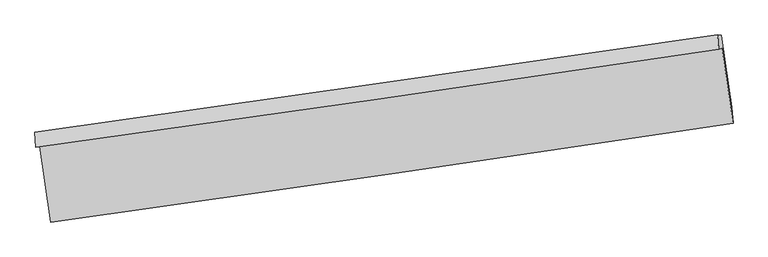
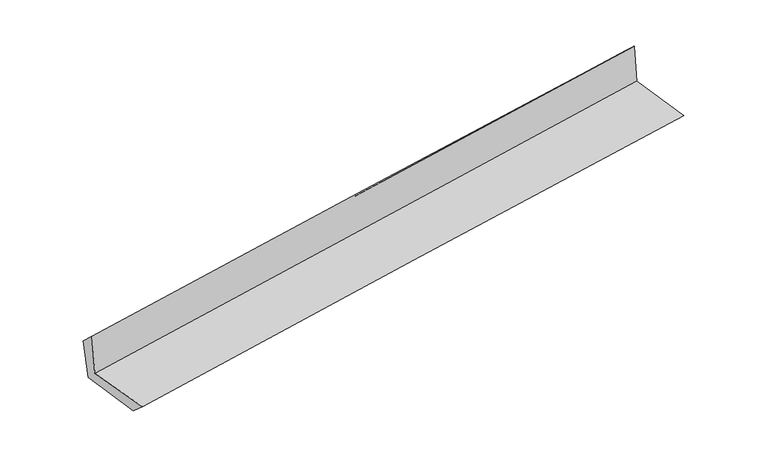
"""IFC4 building model written with IfcOpenShell, lengths in millimetres: proxy geometry."""

from ifc_helpers import new_model, si_unit, frame, origin, place, context, project, spatial, source, transform, mapped, element, save
from ifc_brep_helpers import plane_surface, spline_curve, spline_surface, advanced_brep


def generic_models_ed85baef(model_context):
    return source(origin(), model_context, "Body", "AdvancedBrep", [
        advanced_brep(
        [(-2997.7450521, -1918.5112268, 1629.4544316), (-2902.5719135, -2576.7489413, 1642.1320175), (3044.8923152, -1714.6511588, 2137.5244998), (2949.16902, -1063.2543225, 2143.5336616), (-3030.7979528, -1926.0057625, 2041.0959788), (2918.0972632, -1070.2996464, 2530.5019977), (-3039.708644, -1792.6852455, 1913.5738097), (2909.7374764, -946.4093693, 2412.9568245), (-3004.6528064, -1813.5026502, 1527.6788869), (2940.9328669, -948.2571367, 2040.1694425), (-2912.12683, -2441.6203823, 1519.1895269), (3034.5876228, -1577.3481665, 2019.7883909)],
        [
            (0, 1),
            (1, 2, spline_curve(3, [(-2902.5719135, -2576.7489413, 1642.1320175), (-1911.288458688, -2441.039975309, 1738.238762766), (-920.023292162, -2301.343793439, 1827.574941346), (1062.464783975, -2013.977820087, 1992.705691341), (2053.687693664, -1866.308074635, 2068.500340321), (3044.8923152, -1714.6511588, 2137.5244998)], [4, 2, 4], [0.0, 9.891935184001792, 19.783813685794982])),
            (2, 3),
            (3, 0, spline_curve(3, [(2949.16902, -1063.2543225, 2143.5336616), (1958.5728367, -1211.415215353, 2061.014461372), (967.699993089, -1356.766873974, 1976.915052961), (-1014.60469435, -1641.85254122, 1805.55532768), (-2006.036541493, -1781.586516916, 1718.294992898), (-2997.7450521, -1918.5112268, 1629.4544316)], [4, 2, 4], [0.0, 9.89187850179319, 19.783813685794982])),
            (4, 0),
            (3, 5),
            (5, 4, spline_curve(3, [(2918.0972632, -1070.2996464, 2530.5019977), (1926.44389644, -1218.700248929, 2461.148983949), (934.877365252, -1364.209197051, 2385.688776516), (-1048.087707806, -1649.444602171, 2222.553506889), (-2039.486248486, -1789.171026021, 2134.87837457), (-3030.7979528, -1926.0057625, 2041.0959788)], [4, 2, 4], [0.0, 9.8918515196839, 19.783759721421788])),
            (6, 4),
            (5, 7),
            (7, 6, spline_curve(3, [(2909.7374764, -946.4093693, 2412.9568245), (1918.608901281, -1089.913406229, 2328.649069055), (927.258858008, -1232.188215591, 2244.880057454), (-1055.889846287, -1514.280188625, 2078.419046422), (-2047.688509977, -1654.097337661, 1995.727052847), (-3039.708644, -1792.6852455, 1913.5738097)], [4, 2, 4], [0.0, 9.891809141684858, 19.78367496518087])),
            (8, 6),
            (7, 9),
            (9, 8, spline_curve(3, [(2940.9328669, -948.2571367, 2040.1694425), (1951.73451332, -1101.245983055, 1949.307922868), (961.671285755, -1249.844005254, 1861.169731325), (-1020.190595148, -1538.259226479, 1690.339514633), (-2011.989258943, -1678.076375769, 1607.647521095), (-3004.6528064, -1813.5026502, 1527.6788869)], [4, 2, 4], [0.0, 9.891813390014944, 19.783683461865387])),
            (10, 8),
            (9, 11),
            (11, 10, spline_curve(3, [(3034.5876228, -1577.3481665, 2019.7883909), (2042.880909307, -1716.653611669, 1935.051072907), (1051.469433872, -1858.328805622, 1850.965959325), (-930.768720343, -2146.419516981, 1684.09966399), (-1921.595395959, -2292.835061585, 1601.318489184), (-2912.12683, -2441.6203823, 1519.1895269)], [4, 2, 4], [0.0, 9.891753428994527, 19.783563539480966])),
            (1, 10),
            (11, 2),
        ],
        [
            spline_surface(3, 3, [[(-2997.7450521, -1918.5112268, 1629.4544316), (-2006.036541448, -1781.586516969, 1718.294992982), (-1014.604694382, -1641.852541069, 1805.555327703), (967.69999312, -1356.766874125, 1976.915052938), (1958.572836808, -1211.415215224, 2061.014461527), (2949.16902, -1063.2543225, 2143.5336616)], [(-2966.020672575, -2137.923798308, 1633.680293583), (-1974.453847155, -2001.404336454, 1724.942916308), (-983.077560285, -1861.682958476, 1812.895198928), (999.288256719, -1575.837189446, 1982.178599024), (1990.277789118, -1429.712835037, 2063.509754402), (2981.076785069, -1280.386601251, 2141.530607648)], [(-2934.296293025, -2357.336369792, 1637.906155517), (-1942.871152835, -2221.222155914, 1731.590839585), (-951.550426194, -2081.513375957, 1820.23507021), (1030.876520312, -1794.907504841, 1987.442145166), (2021.982741422, -1648.010454897, 2066.005047334), (3012.984550131, -1497.518880049, 2139.527553752)], [(-2902.5719135, -2576.7489413, 1642.1320175), (-1911.288458542, -2441.039975399, 1738.238762911), (-920.023292097, -2301.343793364, 1827.574941435), (1062.46478391, -2013.977820163, 1992.705691252), (2053.687693731, -1866.308074711, 2068.500340208), (3044.8923152, -1714.6511588, 2137.5244998)]], [4, 4], [4, 2, 4], [0.0, 2.183044777665663], [0.0, 9.891935184001792, 19.783813685794982]),
            spline_surface(3, 3, [[(-3030.7979528, -1926.0057625, 2041.0959788), (-2039.486248466, -1789.171025987, 2134.878374725), (-1048.087707784, -1649.444602198, 2222.553506871), (934.877365231, -1364.209197025, 2385.688776534), (1926.443896509, -1218.700248781, 2461.148983981), (2918.0972632, -1070.2996464, 2530.5019977)], [(-3019.780319208, -1923.507583919, 1903.882129744), (-2028.336346101, -1786.6428563, 1996.017247488), (-1036.926703316, -1646.913915179, 2083.554113804), (945.818241194, -1361.728422749, 2249.430868658), (1937.153543255, -1216.271904265, 2327.770809831), (2928.454515446, -1067.951205103, 2401.512552335)], [(-3008.762685692, -1921.009405381, 1766.668280656), (-2017.186443813, -1784.114686657, 1857.156120219), (-1025.76569885, -1644.383228087, 1944.554720769), (956.759117157, -1359.2476484, 2113.172960814), (1947.863190063, -1213.84355974, 2194.392635677), (2938.811767754, -1065.602763797, 2272.523106965)], [(-2997.7450521, -1918.5112268, 1629.4544316), (-2006.036541448, -1781.586516969, 1718.294992982), (-1014.604694382, -1641.852541069, 1805.555327703), (967.69999312, -1356.766874125, 1976.915052938), (1958.572836808, -1211.415215224, 2061.014461527), (2949.16902, -1063.2543225, 2143.5336616)]], [4, 4], [4, 2, 4], [0.0, 1.3591963607970154], [0.0, 9.891908201737888, 19.783759721421788]),
            spline_surface(3, 3, [[(-3039.708644, -1792.6852455, 1913.5738097), (-2047.688509859, -1654.097337677, 1995.727052869), (-1055.889846266, -1514.280188525, 2078.419046379), (927.258857987, -1232.188215691, 2244.880057497), (1918.608901212, -1089.913406137, 2328.649068899), (2909.7374764, -946.4093693, 2412.9568245)], [(-3036.738413619, -1837.125417832, 1956.081199403), (-2044.954422747, -1699.121900446, 2042.110826824), (-1053.289133436, -1559.334993067, 2126.463866544), (929.798360404, -1276.195209453, 2291.816297178), (1921.22056632, -1132.842353698, 2372.815707272), (2912.524072009, -987.706128346, 2452.138548913)], [(-3033.768183181, -1881.565590168, 1998.588589097), (-2042.220335578, -1744.146463218, 2088.49460077), (-1050.688420615, -1604.389797656, 2174.508686705), (932.337862813, -1320.202203262, 2338.752536853), (1923.832231401, -1175.77130122, 2416.982345608), (2915.310667591, -1029.002887354, 2491.320273287)], [(-3030.7979528, -1926.0057625, 2041.0959788), (-2039.486248466, -1789.171025987, 2134.878374725), (-1048.087707784, -1649.444602198, 2222.553506871), (934.877365231, -1364.209197025, 2385.688776534), (1926.443896509, -1218.700248781, 2461.148983981), (2918.0972632, -1070.2996464, 2530.5019977)]], [4, 4], [4, 2, 4], [0.0, 0.6412730104717724], [0.0, 9.891865823496014, 19.78367496518087]),
            spline_surface(3, 3, [[(-3004.6528064, -1813.5026502, 1527.6788869), (-2011.989258884, -1678.076375759, 1607.64752116), (-1020.190595291, -1538.259226607, 1690.33951477), (961.671285898, -1249.844005126, 1861.169731188), (1951.734513403, -1101.245983099, 1949.307922762), (2940.9328669, -948.2571367, 2040.1694425)], [(-3016.338085587, -1806.563515317, 1656.310527813), (-2023.889009196, -1670.083363082, 1737.007365043), (-1032.090345603, -1530.26621393, 1819.699358652), (950.200476607, -1243.958741998, 1989.073173304), (1940.692642675, -1097.468457442, 2075.754971457), (2930.534403403, -947.64121423, 2164.431903149)], [(-3028.023364813, -1799.624380383, 1784.942168787), (-2035.788759547, -1662.090350354, 1866.367208987), (-1043.990095954, -1522.273201202, 1949.059202496), (938.729667277, -1238.073478818, 2116.976615382), (1929.650771939, -1093.690931794, 2202.202020205), (2920.135939897, -947.02529177, 2288.694363851)], [(-3039.708644, -1792.6852455, 1913.5738097), (-2047.688509859, -1654.097337677, 1995.727052869), (-1055.889846266, -1514.280188525, 2078.419046379), (927.258857987, -1232.188215691, 2244.880057497), (1918.608901212, -1089.913406137, 2328.649068899), (2909.7374764, -946.4093693, 2412.9568245)]], [4, 4], [4, 2, 4], [0.0, 1.2731061675601278], [0.0, 9.891870071850443, 19.783683461865387]),
            spline_surface(3, 3, [[(-2912.12683, -2441.6203823, 1519.1895269), (-1921.595395849, -2292.835061546, 1601.318489277), (-930.768720399, -2146.419517037, 1684.099663929), (1051.469433928, -1858.328805566, 1850.965959386), (2042.880909391, -1716.653611534, 1935.051072769), (3034.5876228, -1577.3481665, 2019.7883909)], [(-2942.968822142, -2232.24780491, 1522.019313558), (-1951.726683537, -2087.915499593, 1603.428166563), (-960.576012043, -1943.699420225, 1686.179614222), (1021.536717905, -1655.50053875, 1854.367216667), (2012.498777378, -1511.517735401, 1939.803356117), (3003.369370816, -1367.651156579, 2026.582074784)], [(-2973.810814258, -2022.87522759, 1524.849100242), (-1981.857971197, -1882.995937711, 1605.537843874), (-990.383303647, -1740.979323419, 1688.259564476), (991.604001921, -1452.672271941, 1857.768473908), (1982.116645416, -1306.381859231, 1944.555639413), (2972.151118884, -1157.954146621, 2033.375758616)], [(-3004.6528064, -1813.5026502, 1527.6788869), (-2011.989258884, -1678.076375759, 1607.64752116), (-1020.190595291, -1538.259226607, 1690.33951477), (961.671285898, -1249.844005126, 1861.169731188), (1951.734513403, -1101.245983099, 1949.307922762), (2940.9328669, -948.2571367, 2040.1694425)]], [4, 4], [4, 2, 4], [0.0, 2.0175267982718736], [0.0, 9.891810110486439, 19.783563539480966]),
            spline_surface(3, 3, [[(-2902.5719135, -2576.7489413, 1642.1320175), (-1911.288458542, -2441.039975399, 1738.238762911), (-920.023292097, -2301.343793364, 1827.574941435), (1062.46478391, -2013.977820163, 1992.705691252), (2053.687693731, -1866.308074711, 2068.500340208), (3044.8923152, -1714.6511588, 2137.5244998)], [(-2905.756885669, -2531.706088314, 1601.151187299), (-1914.724104313, -2391.638337462, 1692.598671699), (-923.605101536, -2249.702367922, 1779.749848935), (1058.799667244, -1962.094815297, 1945.459113965), (2050.085432308, -1816.423253642, 2024.017251067), (3041.457417757, -1668.88349469, 2098.279130172)], [(-2908.941857831, -2486.663235286, 1560.170357101), (-1918.159750078, -2342.236699483, 1646.958580489), (-927.18691096, -2198.060942479, 1731.924756429), (1055.134550594, -1910.211810431, 1898.212536673), (2046.483170815, -1766.538432603, 1979.53416191), (3038.022520243, -1623.11583061, 2059.033760528)], [(-2912.12683, -2441.6203823, 1519.1895269), (-1921.595395849, -2292.835061546, 1601.318489277), (-930.768720399, -2146.419517037, 1684.099663929), (1051.469433928, -1858.328805566, 1850.965959386), (2042.880909391, -1716.653611534, 1935.051072769), (3034.5876228, -1577.3481665, 2019.7883909)]], [4, 4], [4, 2, 4], [0.0, 0.6926303615488384], [0.0, 9.8918176435577, 19.78357860558032]),
            plane_surface(frame((2966.2360941, -1220.0366334, 2214.0791362), z_axis=(0.9861664138144897, 0.1441632632191158, 0.08180927699402267), x_axis=(-0.08338897424961315, 0.004939301173091138, 0.9965048330427299))),
            plane_surface(frame((-2981.2671998, -2078.1790348, 1712.1874419), z_axis=(-0.9861664138144957, -0.14416326321904546, -0.08180927699407564), x_axis=(-0.1430737447885266, 0.9895285181184472, -0.01905821036974737))),
        ],
        [
            (0, [[1, 2, 3, 4]]),
            (1, [[5, -4, 6, 7]]),
            (2, [[8, -7, 9, 10]]),
            (3, [[11, -10, 12, 13]]),
            (4, [[14, -13, 15, 16]]),
            (5, [[17, -16, 18, -2]]),
            (6, [[-12, -9, -6, -3, -18, -15]]),
            (7, [[-1, -5, -8, -11, -14, -17]]),
        ],
    ),
    ])


if __name__ == "__main__":
    model = new_model("IFC4")
    model_context = context("Model", 3, world=origin())
    ifc_project = project(units=[si_unit("LENGTHUNIT", "METRE", prefix="MILLI")], contexts=[model_context])
    site = spatial("IfcSite", under=ifc_project)
    building = spatial("IfcBuilding", under=site)
    placement = place(None, origin())
    generic_models_shape = generic_models_ed85baef(model_context)
    element("IfcBuildingElementProxy", 1, Name="Generic Models", at=placement, inside=building, context=model_context, shape_type="MappedRepresentation", body=[
        mapped(generic_models_shape, transform((0.0, 0.0, 0.0), x_axis=(1.0, 0.0, 0.0), y_axis=(0.0, 1.0, 0.0), z_axis=(0.0, 0.0, 1.0))),
    ])
    save(model, "model.ifc")
